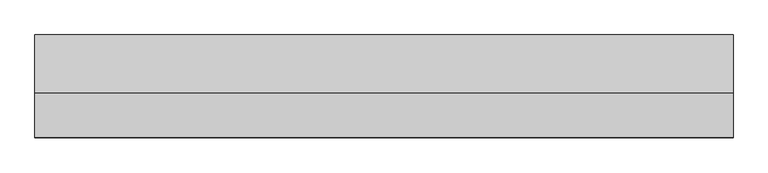
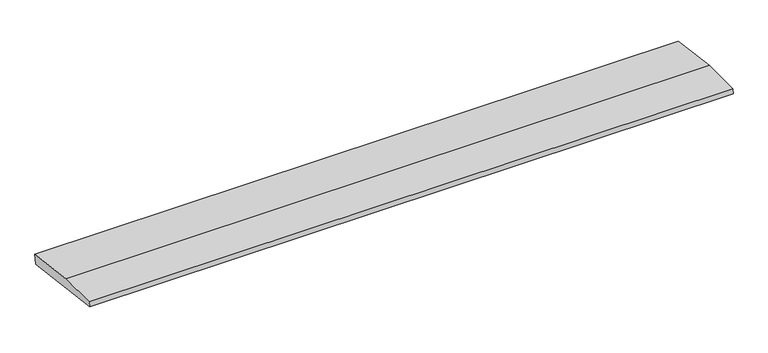
"""IFC4 building model written with IfcOpenShell, lengths in millimetres: beam geometry."""

from ifc_helpers import new_model, si_unit, frame, origin, place, context, project, spatial, polyline, outline, extrude, source, transform, mapped, element, save


def beam_d979e58d(model_context):
    return source(origin(), model_context, "Body", "SweptSolid", [
        extrude(outline(polyline([(0.0, -9.143159), (1.1226388, 0.0), (79.0749747, 0.0), (180.9387048, -12.5072934), (178.6231873, -31.3656703), (0.0, -9.143159)])), frame((-614.572992, 0.0, 0.0), z_axis=(1.0, 0.0, 0.0), x_axis=(0.0, 1.0, 0.0)), (0.0, 0.0, 1.0), 1229.145984),
    ])


if __name__ == "__main__":
    model = new_model("IFC4")
    model_context = context("Model", 3, world=origin())
    ifc_project = project(units=[si_unit("LENGTHUNIT", "METRE", prefix="MILLI")], contexts=[model_context])
    site = spatial("IfcSite", under=ifc_project)
    building = spatial("IfcBuilding", under=site)
    placement = place(None, origin())
    beam_shape = beam_d979e58d(model_context)
    element("IfcBeam", 1, at=placement, inside=building, context=model_context, shape_type="MappedRepresentation", body=[
        mapped(beam_shape, transform((0.0, 0.0, 0.0), x_axis=(1.0, 0.0, 0.0), y_axis=(0.0, 1.0, 0.0), z_axis=(0.0, 0.0, 1.0))),
    ])
    save(model, "model.ifc")
